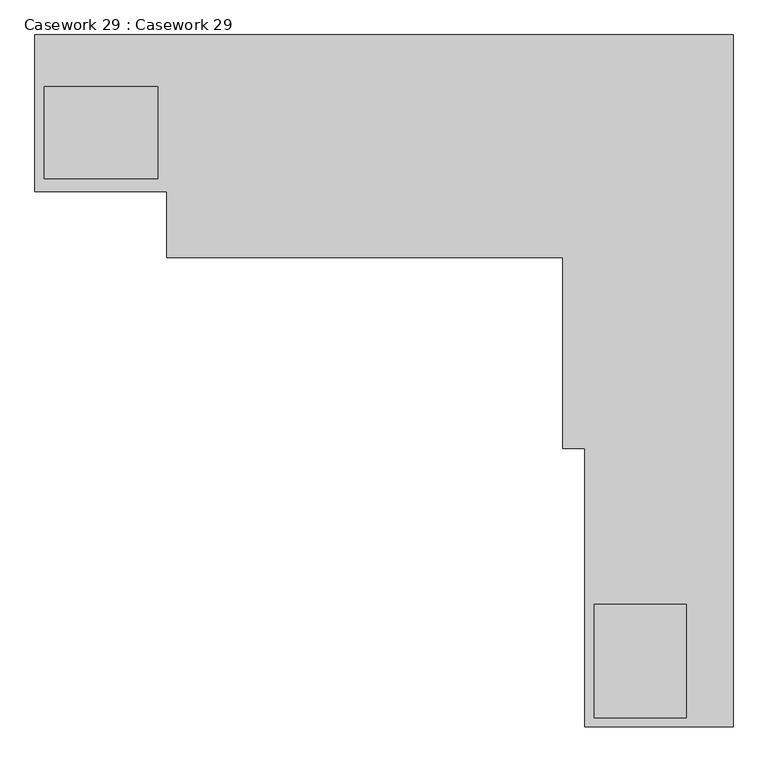
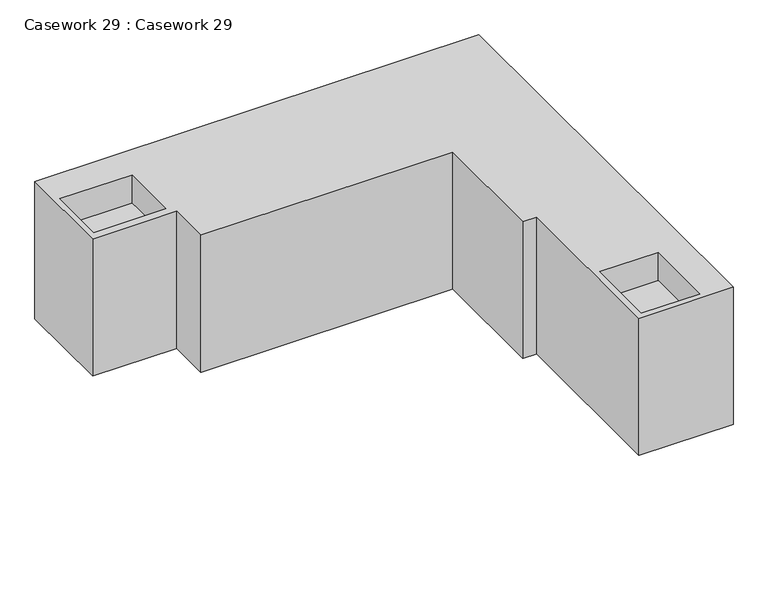
"""IFC4 building model written with IfcOpenShell, lengths in millimetres: furniture geometry, Casework 29 : Casework 29."""

from ifc_helpers import new_model, si_unit, origin, place, context, project, spatial, faceted_brep, source, transform, mapped, element, save


def casework_29_casework_29_84f6e6de(model_context):
    return source(origin(), model_context, "Body", "Brep", [
        faceted_brep([(-22051.8880693, 30825.8358422, -6654.8), (-22128.0880693, 30825.8358422, -6654.8), (-22128.0880693, 31486.2358422, -6654.8), (-23499.6880693, 31486.2358422, -6654.8), (-23499.6880693, 31714.8358422, -6654.8), (-23956.8880693, 31714.8358422, -6654.8), (-23956.8880693, 32258.7368409, -6654.8), (-21538.6080022, 32258.7368409, -6654.8), (-21538.6080022, 29860.6358422, -6654.8), (-22051.8880693, 29860.6358422, -6654.8), (-22051.8880693, 30825.8358422, -5865.3820975), (-22051.8880693, 29860.6358422, -5865.3820975), (-21538.6080022, 29860.6358422, -5865.3820975), (-21538.6080022, 32258.7368409, -5865.3820975), (-23956.8880693, 32258.7368409, -5865.3820975), (-23956.8880693, 31714.8358422, -5865.3820975), (-23499.6880693, 31714.8358422, -5865.3820975), (-23499.6880693, 31486.2358422, -5865.3820975), (-22128.0880693, 31486.2358422, -5865.3820975), (-22128.0880693, 30825.8358422, -5865.3820975), (-23531.5380693, 32079.007242, -5865.3820975), (-23531.5380693, 31760.1618409, -5865.3820975), (-23925.0380693, 31760.1618409, -5865.3820975), (-23925.0380693, 32079.007242, -5865.3820975), (-21701.3926682, 29892.2858422, -5865.3820975), (-22020.2380693, 29892.2858422, -5865.3820975), (-22020.2380693, 30285.7858422, -5865.3820975), (-21701.3926682, 30285.7858422, -5865.3820975), (-23531.5380693, 31760.1618409, -6027.3070975), (-23531.5380693, 32079.007242, -6027.3070975), (-23925.0380693, 32079.007242, -6027.3070975), (-23925.0380693, 31760.1618409, -6027.3070975), (-22020.2380693, 29892.2858422, -6027.3070975), (-21701.3926682, 29892.2858422, -6027.3070975), (-21701.3926682, 30285.7858422, -6027.3070975), (-22020.2380693, 30285.7858422, -6027.3070975)], [[[0, 1, 2, 3, 4, 5, 6, 7, 8, 9]], [[10, 11, 12, 13, 14, 15, 16, 17, 18, 19], [20, 21, 22, 23], [24, 25, 26, 27]], [[1, 0, 10, 19]], [[2, 1, 19, 18]], [[3, 2, 18, 17]], [[4, 3, 17, 16]], [[5, 4, 16, 15]], [[6, 5, 15, 14]], [[7, 6, 14, 13]], [[8, 7, 13, 12]], [[9, 8, 12, 11]], [[0, 9, 11, 10]], [[28, 29, 30, 31]], [[29, 28, 21, 20]], [[30, 29, 20, 23]], [[31, 30, 23, 22]], [[28, 31, 22, 21]], [[32, 33, 34, 35]], [[33, 32, 25, 24]], [[34, 33, 24, 27]], [[35, 34, 27, 26]], [[32, 35, 26, 25]]]),
    ])


if __name__ == "__main__":
    model = new_model("IFC4")
    model_context = context("Model", 3, world=origin())
    ifc_project = project(units=[si_unit("LENGTHUNIT", "METRE", prefix="MILLI")], contexts=[model_context])
    site = spatial("IfcSite", under=ifc_project)
    building = spatial("IfcBuilding", under=site)
    placement = place(None, origin())
    casework_29_casework_29_shape = casework_29_casework_29_84f6e6de(model_context)
    element("IfcFurniture", 1, ObjectType="Casework 29 : Casework 29", at=placement, inside=building, context=model_context, shape_type="MappedRepresentation", body=[
        mapped(casework_29_casework_29_shape, transform((0.0, 0.0, 0.0), x_axis=(1.0, 0.0, 0.0), y_axis=(0.0, 1.0, 0.0), z_axis=(0.0, 0.0, 1.0))),
    ])
    save(model, "model.ifc")
